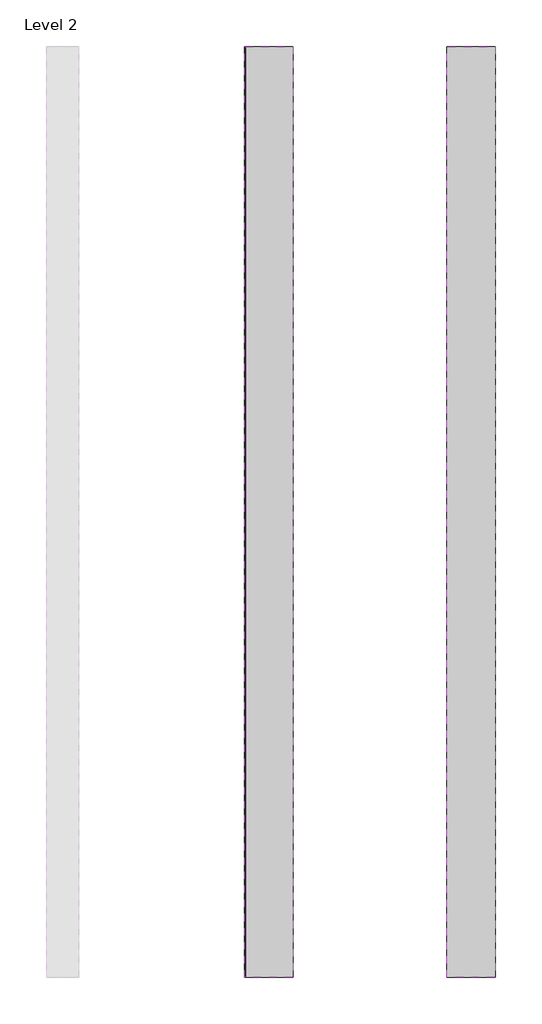
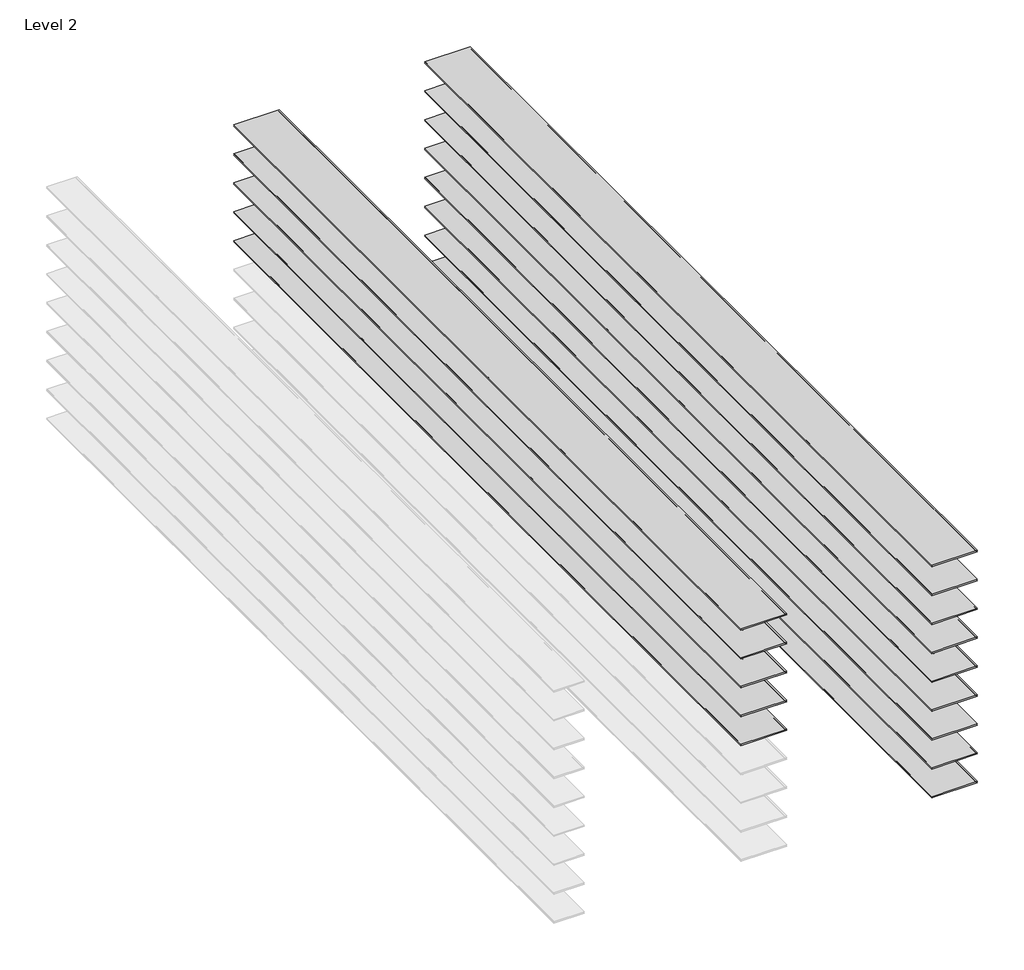
# One storey, part 2 of 2: 14 proxies.
"""IFC4 building model written with IfcOpenShell, lengths in millimetres."""

from ifc_helpers import new_model, si_unit, point, frame, frame_2d, origin, place, context, project, spatial, polyline, circle_curve, trimmed, segment, composite_curve, outline, extrude, element, save
from ifc_brep_helpers import plane_surface, revolved_surface, advanced_brep

model = new_model("IFC4")

# Units and contexts
model_context = context("Model", 3, world=origin())
ifc_project = project(units=[si_unit("LENGTHUNIT", "METRE", prefix="MILLI")], contexts=[model_context])

# Site, building, storey
site = spatial("IfcSite", under=ifc_project)
building = spatial("IfcBuilding", under=site)
storey = spatial("IfcBuildingStorey", under=building, Name="Level 2", Elevation=3048.0)

# Proxies
placement = place(None, origin())
element("IfcBuildingElementProxy", 1, Name="Reveals", at=placement, inside=storey, context=model_context, shape_type="AdvancedBrep", body=[
    advanced_brep(
    [(-16224.8026773, 3227.6377356, 4054.475), (-16224.8026773, 3227.6377356, 4064.0), (-16529.6026773, 3227.6377356, 4064.0), (-16529.6026773, 3227.6377356, 4054.475), (-16224.8026773, 9069.6377356, 4054.475), (-16529.6026773, 9069.6377356, 4054.475), (-16529.6026773, 9069.6377356, 4064.0), (-16224.8026773, 9069.6377356, 4064.0)],
    [
        (0, 1, circle_curve(frame((-16224.8026773, 3227.6377356, 4059.2375), z_axis=(0.0, 1.0, 0.0), x_axis=(1.0, 0.0, 0.0)), 4.7625)),
        (1, 2),
        (2, 3, circle_curve(frame((-16529.6026773, 3227.6377356, 4059.2375), z_axis=(0.0, 1.0, 0.0), x_axis=(1.0, 0.0, 0.0)), 4.7625)),
        (3, 0),
        (4, 5),
        (5, 6, circle_curve(frame((-16529.6026773, 9069.6377356, 4059.2375), z_axis=(0.0, -1.0, 0.0), x_axis=(1.0, 0.0, 0.0)), 4.7625)),
        (6, 7),
        (7, 4, circle_curve(frame((-16224.8026773, 9069.6377356, 4059.2375), z_axis=(0.0, -1.0, 0.0), x_axis=(1.0, 0.0, 0.0)), 4.7625)),
        (0, 4),
        (7, 1),
        (6, 2),
        (5, 3),
    ],
    [
        plane_surface(frame((-16834.5514691, 3227.6377356, 4064.0), z_axis=(0.0, -1.0, 0.0), x_axis=(0.0, 0.0, 1.0))),
        plane_surface(frame((-16834.5514691, 9069.6377356, 4064.0), z_axis=(0.0, 1.0, 0.0), x_axis=(0.0, 0.0, 1.0))),
        revolved_surface(polyline([(-16220.0401773, 9069.6377356, 4059.2375), (-16220.0401773, 3227.6377356, 4059.2375)]), (-16224.8026773, 3227.6377356, 4059.2375), (0.0, 1.0, 0.0)),
        plane_surface(frame((-16224.8026773, 3227.6377356, 4064.0), z_axis=(0.0, 0.0, 1.0), x_axis=(0.0, 1.0, 0.0))),
        revolved_surface(polyline([(-16524.8401773, 9069.6377356, 4059.2375), (-16524.8401773, 3227.6377356, 4059.2375)]), (-16529.6026773, 3227.6377356, 4059.2375), (0.0, 1.0, 0.0)),
        plane_surface(frame((-16529.6026773, 3227.6377356, 4054.475), z_axis=(0.0, 0.0, -1.0), x_axis=(0.0, 1.0, 0.0))),
    ],
    [
        (0, [[1, 2, 3, 4]]),
        (1, [[5, 6, 7, 8]]),
        (2, [[-1, 9, -8, 10]]),
        (3, [[-2, -10, -7, 11]]),
        (4, [[-3, -11, -6, 12]]),
        (5, [[-4, -12, -5, -9]]),
    ],
),
])
element("IfcBuildingElementProxy", 2, Name="Reveals", at=placement, inside=storey, context=model_context, shape_type="AdvancedBrep", body=[
    advanced_brep(
    [(-16224.8026773, 3227.6377356, 4257.675), (-16224.8026773, 3227.6377356, 4267.2), (-16529.6026773, 3227.6377356, 4267.2), (-16529.6026773, 3227.6377356, 4257.675), (-16224.8026773, 9069.6377356, 4257.675), (-16529.6026773, 9069.6377356, 4257.675), (-16529.6026773, 9069.6377356, 4267.2), (-16224.8026773, 9069.6377356, 4267.2)],
    [
        (0, 1, circle_curve(frame((-16224.8026773, 3227.6377356, 4262.4375), z_axis=(0.0, 1.0, 0.0), x_axis=(1.0, 0.0, 0.0)), 4.7625)),
        (1, 2),
        (2, 3, circle_curve(frame((-16529.6026773, 3227.6377356, 4262.4375), z_axis=(0.0, 1.0, 0.0), x_axis=(1.0, 0.0, 0.0)), 4.7625)),
        (3, 0),
        (4, 5),
        (5, 6, circle_curve(frame((-16529.6026773, 9069.6377356, 4262.4375), z_axis=(0.0, -1.0, 0.0), x_axis=(1.0, 0.0, 0.0)), 4.7625)),
        (6, 7),
        (7, 4, circle_curve(frame((-16224.8026773, 9069.6377356, 4262.4375), z_axis=(0.0, -1.0, 0.0), x_axis=(1.0, 0.0, 0.0)), 4.7625)),
        (0, 4),
        (7, 1),
        (6, 2),
        (5, 3),
    ],
    [
        plane_surface(frame((-16834.5514691, 3227.6377356, 4267.2), z_axis=(0.0, -1.0, 0.0), x_axis=(0.0, 0.0, 1.0))),
        plane_surface(frame((-16834.5514691, 9069.6377356, 4267.2), z_axis=(0.0, 1.0, 0.0), x_axis=(0.0, 0.0, 1.0))),
        revolved_surface(polyline([(-16220.0401773, 9069.6377356, 4262.4375), (-16220.0401773, 3227.6377356, 4262.4375)]), (-16224.8026773, 3227.6377356, 4262.4375), (0.0, 1.0, 0.0)),
        plane_surface(frame((-16224.8026773, 3227.6377356, 4267.2), z_axis=(0.0, 0.0, 1.0), x_axis=(0.0, 1.0, 0.0))),
        revolved_surface(polyline([(-16524.8401773, 9069.6377356, 4262.4375), (-16524.8401773, 3227.6377356, 4262.4375)]), (-16529.6026773, 3227.6377356, 4262.4375), (0.0, 1.0, 0.0)),
        plane_surface(frame((-16529.6026773, 3227.6377356, 4257.675), z_axis=(0.0, 0.0, -1.0), x_axis=(0.0, 1.0, 0.0))),
    ],
    [
        (0, [[1, 2, 3, 4]]),
        (1, [[5, 6, 7, 8]]),
        (2, [[-1, 9, -8, 10]]),
        (3, [[-2, -10, -7, 11]]),
        (4, [[-3, -11, -6, 12]]),
        (5, [[-4, -12, -5, -9]]),
    ],
),
])
element("IfcBuildingElementProxy", 3, Name="Reveals", at=placement, inside=storey, context=model_context, shape_type="SweptSolid", body=[
    extrude(outline(composite_curve([segment(trimmed(circle_curve(frame_2d((4465.6375, -16224.8026773)), 4.7625), [point((4460.875, -16224.8026773))], [point((4470.4, -16224.8026773))], True, "CARTESIAN"), True, "CONTINUOUS"), segment(polyline([(4470.4, -16224.8026773), (4470.4, -16529.6026773)]), True, "CONTINUOUS"), segment(trimmed(circle_curve(frame_2d((4465.6375, -16529.6026773)), 4.7625), [point((4470.4, -16529.6026773))], [point((4460.875, -16529.6026773))], True, "CARTESIAN"), True, "CONTINUOUS"), segment(polyline([(4460.875, -16529.6026773), (4460.875, -16224.8026773)]), True, "CONTINUOUS")], self_intersect=False)), frame((0.0, 3227.6377356, 0.0), z_axis=(0.0, 1.0, 0.0), x_axis=(0.0, 0.0, 1.0)), (0.0, 0.0, 1.0), 5842.0),
])
element("IfcBuildingElementProxy", 4, Name="Reveals", at=placement, inside=storey, context=model_context, shape_type="AdvancedBrep", body=[
    advanced_brep(
    [(-16224.8026773, 3227.6377356, 4664.075), (-16224.8026773, 3227.6377356, 4673.6), (-16529.6026773, 3227.6377356, 4673.6), (-16529.6026773, 3227.6377356, 4664.075), (-16224.8026773, 9069.6377356, 4664.075), (-16529.6026773, 9069.6377356, 4664.075), (-16529.6026773, 9069.6377356, 4673.6), (-16224.8026773, 9069.6377356, 4673.6)],
    [
        (0, 1, circle_curve(frame((-16224.8026773, 3227.6377356, 4668.8375), z_axis=(0.0, 1.0, 0.0), x_axis=(1.0, 0.0, 0.0)), 4.7625)),
        (1, 2),
        (2, 3, circle_curve(frame((-16529.6026773, 3227.6377356, 4668.8375), z_axis=(0.0, 1.0, 0.0), x_axis=(1.0, 0.0, 0.0)), 4.7625)),
        (3, 0),
        (4, 5),
        (5, 6, circle_curve(frame((-16529.6026773, 9069.6377356, 4668.8375), z_axis=(0.0, -1.0, 0.0), x_axis=(1.0, 0.0, 0.0)), 4.7625)),
        (6, 7),
        (7, 4, circle_curve(frame((-16224.8026773, 9069.6377356, 4668.8375), z_axis=(0.0, -1.0, 0.0), x_axis=(1.0, 0.0, 0.0)), 4.7625)),
        (0, 4),
        (7, 1),
        (6, 2),
        (5, 3),
    ],
    [
        plane_surface(frame((-16834.5514691, 3227.6377356, 4673.6), z_axis=(0.0, -1.0, 0.0), x_axis=(0.0, 0.0, 1.0))),
        plane_surface(frame((-16834.5514691, 9069.6377356, 4673.6), z_axis=(0.0, 1.0, 0.0), x_axis=(0.0, 0.0, 1.0))),
        revolved_surface(polyline([(-16220.0401773, 9069.6377356, 4668.8375), (-16220.0401773, 3227.6377356, 4668.8375)]), (-16224.8026773, 3227.6377356, 4668.8375), (0.0, 1.0, 0.0)),
        plane_surface(frame((-16224.8026773, 3227.6377356, 4673.6), z_axis=(0.0, 0.0, 1.0), x_axis=(0.0, 1.0, 0.0))),
        revolved_surface(polyline([(-16524.8401773, 9069.6377356, 4668.8375), (-16524.8401773, 3227.6377356, 4668.8375)]), (-16529.6026773, 3227.6377356, 4668.8375), (0.0, 1.0, 0.0)),
        plane_surface(frame((-16529.6026773, 3227.6377356, 4664.075), z_axis=(0.0, 0.0, -1.0), x_axis=(0.0, 1.0, 0.0))),
    ],
    [
        (0, [[1, 2, 3, 4]]),
        (1, [[5, 6, 7, 8]]),
        (2, [[-1, 9, -8, 10]]),
        (3, [[-2, -10, -7, 11]]),
        (4, [[-3, -11, -6, 12]]),
        (5, [[-4, -12, -5, -9]]),
    ],
),
])
element("IfcBuildingElementProxy", 5, Name="Reveals", at=placement, inside=storey, context=model_context, shape_type="AdvancedBrep", body=[
    advanced_brep(
    [(-16224.8026773, 3227.6377356, 4867.275), (-16224.8026773, 3227.6377356, 4876.8), (-16529.6026773, 3227.6377356, 4876.8), (-16529.6026773, 3227.6377356, 4867.275), (-16224.8026773, 9069.6377356, 4867.275), (-16529.6026773, 9069.6377356, 4867.275), (-16529.6026773, 9069.6377356, 4876.8), (-16224.8026773, 9069.6377356, 4876.8)],
    [
        (0, 1, circle_curve(frame((-16224.8026773, 3227.6377356, 4872.0375), z_axis=(0.0, 1.0, 0.0), x_axis=(1.0, 0.0, 0.0)), 4.7625)),
        (1, 2),
        (2, 3, circle_curve(frame((-16529.6026773, 3227.6377356, 4872.0375), z_axis=(0.0, 1.0, 0.0), x_axis=(1.0, 0.0, 0.0)), 4.7625)),
        (3, 0),
        (4, 5),
        (5, 6, circle_curve(frame((-16529.6026773, 9069.6377356, 4872.0375), z_axis=(0.0, -1.0, 0.0), x_axis=(1.0, 0.0, 0.0)), 4.7625)),
        (6, 7),
        (7, 4, circle_curve(frame((-16224.8026773, 9069.6377356, 4872.0375), z_axis=(0.0, -1.0, 0.0), x_axis=(1.0, 0.0, 0.0)), 4.7625)),
        (0, 4),
        (7, 1),
        (6, 2),
        (5, 3),
    ],
    [
        plane_surface(frame((-16834.5514691, 3227.6377356, 4876.8), z_axis=(0.0, -1.0, 0.0), x_axis=(0.0, 0.0, 1.0))),
        plane_surface(frame((-16834.5514691, 9069.6377356, 4876.8), z_axis=(0.0, 1.0, 0.0), x_axis=(0.0, 0.0, 1.0))),
        revolved_surface(polyline([(-16220.0401773, 9069.6377356, 4872.0375), (-16220.0401773, 3227.6377356, 4872.0375)]), (-16224.8026773, 3227.6377356, 4872.0375), (0.0, 1.0, 0.0)),
        plane_surface(frame((-16224.8026773, 3227.6377356, 4876.8), z_axis=(0.0, 0.0, 1.0), x_axis=(0.0, 1.0, 0.0))),
        revolved_surface(polyline([(-16524.8401773, 9069.6377356, 4872.0375), (-16524.8401773, 3227.6377356, 4872.0375)]), (-16529.6026773, 3227.6377356, 4872.0375), (0.0, 1.0, 0.0)),
        plane_surface(frame((-16529.6026773, 3227.6377356, 4867.275), z_axis=(0.0, 0.0, -1.0), x_axis=(0.0, 1.0, 0.0))),
    ],
    [
        (0, [[1, 2, 3, 4]]),
        (1, [[5, 6, 7, 8]]),
        (2, [[-1, 9, -8, 10]]),
        (3, [[-2, -10, -7, 11]]),
        (4, [[-3, -11, -6, 12]]),
        (5, [[-4, -12, -5, -9]]),
    ],
),
])
element("IfcBuildingElementProxy", 6, Name="Reveals", at=placement, inside=storey, context=model_context, shape_type="AdvancedBrep", body=[
    advanced_brep(
    [(-14954.8026773, 3227.6377356, 3241.675), (-14954.8026773, 3227.6377356, 3251.2), (-15259.6026773, 3227.6377356, 3251.2), (-15259.6026773, 3227.6377356, 3241.675), (-14954.8026773, 9069.6377356, 3241.675), (-15259.6026773, 9069.6377356, 3241.675), (-15259.6026773, 9069.6377356, 3251.2), (-14954.8026773, 9069.6377356, 3251.2)],
    [
        (0, 1, circle_curve(frame((-14954.8026773, 3227.6377356, 3246.4375), z_axis=(0.0, 1.0, 0.0), x_axis=(1.0, 0.0, 0.0)), 4.7625)),
        (1, 2),
        (2, 3, circle_curve(frame((-15259.6026773, 3227.6377356, 3246.4375), z_axis=(0.0, 1.0, 0.0), x_axis=(1.0, 0.0, 0.0)), 4.7625)),
        (3, 0),
        (4, 5),
        (5, 6, circle_curve(frame((-15259.6026773, 9069.6377356, 3246.4375), z_axis=(0.0, -1.0, 0.0), x_axis=(1.0, 0.0, 0.0)), 4.7625)),
        (6, 7),
        (7, 4, circle_curve(frame((-14954.8026773, 9069.6377356, 3246.4375), z_axis=(0.0, -1.0, 0.0), x_axis=(1.0, 0.0, 0.0)), 4.7625)),
        (0, 4),
        (7, 1),
        (6, 2),
        (5, 3),
    ],
    [
        plane_surface(frame((-15564.5514691, 3227.6377356, 3251.2), z_axis=(0.0, -1.0, 0.0), x_axis=(0.0, 0.0, 1.0))),
        plane_surface(frame((-15564.5514691, 9069.6377356, 3251.2), z_axis=(0.0, 1.0, 0.0), x_axis=(0.0, 0.0, 1.0))),
        revolved_surface(polyline([(-14950.0401773, 9069.6377356, 3246.4375), (-14950.0401773, 3227.6377356, 3246.4375)]), (-14954.8026773, 3227.6377356, 3246.4375), (0.0, 1.0, 0.0)),
        plane_surface(frame((-14954.8026773, 3227.6377356, 3251.2), z_axis=(0.0, 0.0, 1.0), x_axis=(0.0, 1.0, 0.0))),
        revolved_surface(polyline([(-15254.840177299999, 9069.6377356, 3246.4375), (-15254.840177299999, 3227.6377356, 3246.4375)]), (-15259.6026773, 3227.6377356, 3246.4375), (0.0, 1.0, 0.0)),
        plane_surface(frame((-15259.6026773, 3227.6377356, 3241.675), z_axis=(0.0, 0.0, -1.0), x_axis=(0.0, 1.0, 0.0))),
    ],
    [
        (0, [[1, 2, 3, 4]]),
        (1, [[5, 6, 7, 8]]),
        (2, [[-1, 9, -8, 10]]),
        (3, [[-2, -10, -7, 11]]),
        (4, [[-3, -11, -6, 12]]),
        (5, [[-4, -12, -5, -9]]),
    ],
),
])
element("IfcBuildingElementProxy", 7, Name="Reveals", at=placement, inside=storey, context=model_context, shape_type="AdvancedBrep", body=[
    advanced_brep(
    [(-14954.8026773, 3227.6377356, 3444.875), (-14954.8026773, 3227.6377356, 3454.4), (-15259.6026773, 3227.6377356, 3454.4), (-15259.6026773, 3227.6377356, 3444.875), (-14954.8026773, 9069.6377356, 3444.875), (-15259.6026773, 9069.6377356, 3444.875), (-15259.6026773, 9069.6377356, 3454.4), (-14954.8026773, 9069.6377356, 3454.4)],
    [
        (0, 1, circle_curve(frame((-14954.8026773, 3227.6377356, 3449.6375), z_axis=(0.0, 1.0, 0.0), x_axis=(1.0, 0.0, 0.0)), 4.7625)),
        (1, 2),
        (2, 3, circle_curve(frame((-15259.6026773, 3227.6377356, 3449.6375), z_axis=(0.0, 1.0, 0.0), x_axis=(1.0, 0.0, 0.0)), 4.7625)),
        (3, 0),
        (4, 5),
        (5, 6, circle_curve(frame((-15259.6026773, 9069.6377356, 3449.6375), z_axis=(0.0, -1.0, 0.0), x_axis=(1.0, 0.0, 0.0)), 4.7625)),
        (6, 7),
        (7, 4, circle_curve(frame((-14954.8026773, 9069.6377356, 3449.6375), z_axis=(0.0, -1.0, 0.0), x_axis=(1.0, 0.0, 0.0)), 4.7625)),
        (0, 4),
        (7, 1),
        (6, 2),
        (5, 3),
    ],
    [
        plane_surface(frame((-15564.5514691, 3227.6377356, 3454.4), z_axis=(0.0, -1.0, 0.0), x_axis=(0.0, 0.0, 1.0))),
        plane_surface(frame((-15564.5514691, 9069.6377356, 3454.4), z_axis=(0.0, 1.0, 0.0), x_axis=(0.0, 0.0, 1.0))),
        revolved_surface(polyline([(-14950.0401773, 9069.6377356, 3449.6375), (-14950.0401773, 3227.6377356, 3449.6375)]), (-14954.8026773, 3227.6377356, 3449.6375), (0.0, 1.0, 0.0)),
        plane_surface(frame((-14954.8026773, 3227.6377356, 3454.4), z_axis=(0.0, 0.0, 1.0), x_axis=(0.0, 1.0, 0.0))),
        revolved_surface(polyline([(-15254.840177299999, 9069.6377356, 3449.6375), (-15254.840177299999, 3227.6377356, 3449.6375)]), (-15259.6026773, 3227.6377356, 3449.6375), (0.0, 1.0, 0.0)),
        plane_surface(frame((-15259.6026773, 3227.6377356, 3444.875), z_axis=(0.0, 0.0, -1.0), x_axis=(0.0, 1.0, 0.0))),
    ],
    [
        (0, [[1, 2, 3, 4]]),
        (1, [[5, 6, 7, 8]]),
        (2, [[-1, 9, -8, 10]]),
        (3, [[-2, -10, -7, 11]]),
        (4, [[-3, -11, -6, 12]]),
        (5, [[-4, -12, -5, -9]]),
    ],
),
])
element("IfcBuildingElementProxy", 8, Name="Reveals", at=placement, inside=storey, context=model_context, shape_type="AdvancedBrep", body=[
    advanced_brep(
    [(-14954.8026773, 3227.6377356, 3648.075), (-14954.8026773, 3227.6377356, 3657.6), (-15259.6026773, 3227.6377356, 3657.6), (-15259.6026773, 3227.6377356, 3648.075), (-14954.8026773, 9069.6377356, 3648.075), (-15259.6026773, 9069.6377356, 3648.075), (-15259.6026773, 9069.6377356, 3657.6), (-14954.8026773, 9069.6377356, 3657.6)],
    [
        (0, 1, circle_curve(frame((-14954.8026773, 3227.6377356, 3652.8375), z_axis=(0.0, 1.0, 0.0), x_axis=(1.0, 0.0, 0.0)), 4.7625)),
        (1, 2),
        (2, 3, circle_curve(frame((-15259.6026773, 3227.6377356, 3652.8375), z_axis=(0.0, 1.0, 0.0), x_axis=(1.0, 0.0, 0.0)), 4.7625)),
        (3, 0),
        (4, 5),
        (5, 6, circle_curve(frame((-15259.6026773, 9069.6377356, 3652.8375), z_axis=(0.0, -1.0, 0.0), x_axis=(1.0, 0.0, 0.0)), 4.7625)),
        (6, 7),
        (7, 4, circle_curve(frame((-14954.8026773, 9069.6377356, 3652.8375), z_axis=(0.0, -1.0, 0.0), x_axis=(1.0, 0.0, 0.0)), 4.7625)),
        (0, 4),
        (7, 1),
        (6, 2),
        (5, 3),
    ],
    [
        plane_surface(frame((-15564.5514691, 3227.6377356, 3657.6), z_axis=(0.0, -1.0, 0.0), x_axis=(0.0, 0.0, 1.0))),
        plane_surface(frame((-15564.5514691, 9069.6377356, 3657.6), z_axis=(0.0, 1.0, 0.0), x_axis=(0.0, 0.0, 1.0))),
        revolved_surface(polyline([(-14950.0401773, 9069.6377356, 3652.8375), (-14950.0401773, 3227.6377356, 3652.8375)]), (-14954.8026773, 3227.6377356, 3652.8375), (0.0, 1.0, 0.0)),
        plane_surface(frame((-14954.8026773, 3227.6377356, 3657.6), z_axis=(0.0, 0.0, 1.0), x_axis=(0.0, 1.0, 0.0))),
        revolved_surface(polyline([(-15254.840177299999, 9069.6377356, 3652.8375), (-15254.840177299999, 3227.6377356, 3652.8375)]), (-15259.6026773, 3227.6377356, 3652.8375), (0.0, 1.0, 0.0)),
        plane_surface(frame((-15259.6026773, 3227.6377356, 3648.075), z_axis=(0.0, 0.0, -1.0), x_axis=(0.0, 1.0, 0.0))),
    ],
    [
        (0, [[1, 2, 3, 4]]),
        (1, [[5, 6, 7, 8]]),
        (2, [[-1, 9, -8, 10]]),
        (3, [[-2, -10, -7, 11]]),
        (4, [[-3, -11, -6, 12]]),
        (5, [[-4, -12, -5, -9]]),
    ],
),
])
element("IfcBuildingElementProxy", 9, Name="Reveals", at=placement, inside=storey, context=model_context, shape_type="AdvancedBrep", body=[
    advanced_brep(
    [(-14954.8026773, 3227.6377356, 3851.275), (-14954.8026773, 3227.6377356, 3860.8), (-15259.6026773, 3227.6377356, 3860.8), (-15259.6026773, 3227.6377356, 3851.275), (-14954.8026773, 9069.6377356, 3851.275), (-15259.6026773, 9069.6377356, 3851.275), (-15259.6026773, 9069.6377356, 3860.8), (-14954.8026773, 9069.6377356, 3860.8)],
    [
        (0, 1, circle_curve(frame((-14954.8026773, 3227.6377356, 3856.0375), z_axis=(0.0, 1.0, 0.0), x_axis=(1.0, 0.0, 0.0)), 4.7625)),
        (1, 2),
        (2, 3, circle_curve(frame((-15259.6026773, 3227.6377356, 3856.0375), z_axis=(0.0, 1.0, 0.0), x_axis=(1.0, 0.0, 0.0)), 4.7625)),
        (3, 0),
        (4, 5),
        (5, 6, circle_curve(frame((-15259.6026773, 9069.6377356, 3856.0375), z_axis=(0.0, -1.0, 0.0), x_axis=(1.0, 0.0, 0.0)), 4.7625)),
        (6, 7),
        (7, 4, circle_curve(frame((-14954.8026773, 9069.6377356, 3856.0375), z_axis=(0.0, -1.0, 0.0), x_axis=(1.0, 0.0, 0.0)), 4.7625)),
        (0, 4),
        (7, 1),
        (6, 2),
        (5, 3),
    ],
    [
        plane_surface(frame((-15564.5514691, 3227.6377356, 3860.8), z_axis=(0.0, -1.0, 0.0), x_axis=(0.0, 0.0, 1.0))),
        plane_surface(frame((-15564.5514691, 9069.6377356, 3860.8), z_axis=(0.0, 1.0, 0.0), x_axis=(0.0, 0.0, 1.0))),
        revolved_surface(polyline([(-14950.0401773, 9069.6377356, 3856.0375), (-14950.0401773, 3227.6377356, 3856.0375)]), (-14954.8026773, 3227.6377356, 3856.0375), (0.0, 1.0, 0.0)),
        plane_surface(frame((-14954.8026773, 3227.6377356, 3860.8), z_axis=(0.0, 0.0, 1.0), x_axis=(0.0, 1.0, 0.0))),
        revolved_surface(polyline([(-15254.840177299999, 9069.6377356, 3856.0375), (-15254.840177299999, 3227.6377356, 3856.0375)]), (-15259.6026773, 3227.6377356, 3856.0375), (0.0, 1.0, 0.0)),
        plane_surface(frame((-15259.6026773, 3227.6377356, 3851.275), z_axis=(0.0, 0.0, -1.0), x_axis=(0.0, 1.0, 0.0))),
    ],
    [
        (0, [[1, 2, 3, 4]]),
        (1, [[5, 6, 7, 8]]),
        (2, [[-1, 9, -8, 10]]),
        (3, [[-2, -10, -7, 11]]),
        (4, [[-3, -11, -6, 12]]),
        (5, [[-4, -12, -5, -9]]),
    ],
),
])
element("IfcBuildingElementProxy", 10, Name="Reveals", at=placement, inside=storey, context=model_context, shape_type="AdvancedBrep", body=[
    advanced_brep(
    [(-14954.8026773, 3227.6377356, 4054.475), (-14954.8026773, 3227.6377356, 4064.0), (-15259.6026773, 3227.6377356, 4064.0), (-15259.6026773, 3227.6377356, 4054.475), (-14954.8026773, 9069.6377356, 4054.475), (-15259.6026773, 9069.6377356, 4054.475), (-15259.6026773, 9069.6377356, 4064.0), (-14954.8026773, 9069.6377356, 4064.0)],
    [
        (0, 1, circle_curve(frame((-14954.8026773, 3227.6377356, 4059.2375), z_axis=(0.0, 1.0, 0.0), x_axis=(1.0, 0.0, 0.0)), 4.7625)),
        (1, 2),
        (2, 3, circle_curve(frame((-15259.6026773, 3227.6377356, 4059.2375), z_axis=(0.0, 1.0, 0.0), x_axis=(1.0, 0.0, 0.0)), 4.7625)),
        (3, 0),
        (4, 5),
        (5, 6, circle_curve(frame((-15259.6026773, 9069.6377356, 4059.2375), z_axis=(0.0, -1.0, 0.0), x_axis=(1.0, 0.0, 0.0)), 4.7625)),
        (6, 7),
        (7, 4, circle_curve(frame((-14954.8026773, 9069.6377356, 4059.2375), z_axis=(0.0, -1.0, 0.0), x_axis=(1.0, 0.0, 0.0)), 4.7625)),
        (0, 4),
        (7, 1),
        (6, 2),
        (5, 3),
    ],
    [
        plane_surface(frame((-15564.5514691, 3227.6377356, 4064.0), z_axis=(0.0, -1.0, 0.0), x_axis=(0.0, 0.0, 1.0))),
        plane_surface(frame((-15564.5514691, 9069.6377356, 4064.0), z_axis=(0.0, 1.0, 0.0), x_axis=(0.0, 0.0, 1.0))),
        revolved_surface(polyline([(-14950.0401773, 9069.6377356, 4059.2375), (-14950.0401773, 3227.6377356, 4059.2375)]), (-14954.8026773, 3227.6377356, 4059.2375), (0.0, 1.0, 0.0)),
        plane_surface(frame((-14954.8026773, 3227.6377356, 4064.0), z_axis=(0.0, 0.0, 1.0), x_axis=(0.0, 1.0, 0.0))),
        revolved_surface(polyline([(-15254.840177299999, 9069.6377356, 4059.2375), (-15254.840177299999, 3227.6377356, 4059.2375)]), (-15259.6026773, 3227.6377356, 4059.2375), (0.0, 1.0, 0.0)),
        plane_surface(frame((-15259.6026773, 3227.6377356, 4054.475), z_axis=(0.0, 0.0, -1.0), x_axis=(0.0, 1.0, 0.0))),
    ],
    [
        (0, [[1, 2, 3, 4]]),
        (1, [[5, 6, 7, 8]]),
        (2, [[-1, 9, -8, 10]]),
        (3, [[-2, -10, -7, 11]]),
        (4, [[-3, -11, -6, 12]]),
        (5, [[-4, -12, -5, -9]]),
    ],
),
])
element("IfcBuildingElementProxy", 11, Name="Reveals", at=placement, inside=storey, context=model_context, shape_type="AdvancedBrep", body=[
    advanced_brep(
    [(-14954.8026773, 3227.6377356, 4257.675), (-14954.8026773, 3227.6377356, 4267.2), (-15259.6026773, 3227.6377356, 4267.2), (-15259.6026773, 3227.6377356, 4257.675), (-14954.8026773, 9069.6377356, 4257.675), (-15259.6026773, 9069.6377356, 4257.675), (-15259.6026773, 9069.6377356, 4267.2), (-14954.8026773, 9069.6377356, 4267.2)],
    [
        (0, 1, circle_curve(frame((-14954.8026773, 3227.6377356, 4262.4375), z_axis=(0.0, 1.0, 0.0), x_axis=(1.0, 0.0, 0.0)), 4.7625)),
        (1, 2),
        (2, 3, circle_curve(frame((-15259.6026773, 3227.6377356, 4262.4375), z_axis=(0.0, 1.0, 0.0), x_axis=(1.0, 0.0, 0.0)), 4.7625)),
        (3, 0),
        (4, 5),
        (5, 6, circle_curve(frame((-15259.6026773, 9069.6377356, 4262.4375), z_axis=(0.0, -1.0, 0.0), x_axis=(1.0, 0.0, 0.0)), 4.7625)),
        (6, 7),
        (7, 4, circle_curve(frame((-14954.8026773, 9069.6377356, 4262.4375), z_axis=(0.0, -1.0, 0.0), x_axis=(1.0, 0.0, 0.0)), 4.7625)),
        (0, 4),
        (7, 1),
        (6, 2),
        (5, 3),
    ],
    [
        plane_surface(frame((-15564.5514691, 3227.6377356, 4267.2), z_axis=(0.0, -1.0, 0.0), x_axis=(0.0, 0.0, 1.0))),
        plane_surface(frame((-15564.5514691, 9069.6377356, 4267.2), z_axis=(0.0, 1.0, 0.0), x_axis=(0.0, 0.0, 1.0))),
        revolved_surface(polyline([(-14950.0401773, 9069.6377356, 4262.4375), (-14950.0401773, 3227.6377356, 4262.4375)]), (-14954.8026773, 3227.6377356, 4262.4375), (0.0, 1.0, 0.0)),
        plane_surface(frame((-14954.8026773, 3227.6377356, 4267.2), z_axis=(0.0, 0.0, 1.0), x_axis=(0.0, 1.0, 0.0))),
        revolved_surface(polyline([(-15254.840177299999, 9069.6377356, 4262.4375), (-15254.840177299999, 3227.6377356, 4262.4375)]), (-15259.6026773, 3227.6377356, 4262.4375), (0.0, 1.0, 0.0)),
        plane_surface(frame((-15259.6026773, 3227.6377356, 4257.675), z_axis=(0.0, 0.0, -1.0), x_axis=(0.0, 1.0, 0.0))),
    ],
    [
        (0, [[1, 2, 3, 4]]),
        (1, [[5, 6, 7, 8]]),
        (2, [[-1, 9, -8, 10]]),
        (3, [[-2, -10, -7, 11]]),
        (4, [[-3, -11, -6, 12]]),
        (5, [[-4, -12, -5, -9]]),
    ],
),
])
element("IfcBuildingElementProxy", 12, Name="Reveals", at=placement, inside=storey, context=model_context, shape_type="SweptSolid", body=[
    extrude(outline(composite_curve([segment(trimmed(circle_curve(frame_2d((4465.6375, -14954.8026773)), 4.7625), [point((4460.875, -14954.8026773))], [point((4470.4, -14954.8026773))], True, "CARTESIAN"), True, "CONTINUOUS"), segment(polyline([(4470.4, -14954.8026773), (4470.4, -15259.6026773)]), True, "CONTINUOUS"), segment(trimmed(circle_curve(frame_2d((4465.6375, -15259.6026773)), 4.7625), [point((4470.4, -15259.6026773))], [point((4460.875, -15259.6026773))], True, "CARTESIAN"), True, "CONTINUOUS"), segment(polyline([(4460.875, -15259.6026773), (4460.875, -14954.8026773)]), True, "CONTINUOUS")], self_intersect=False)), frame((0.0, 3227.6377356, 0.0), z_axis=(0.0, 1.0, 0.0), x_axis=(0.0, 0.0, 1.0)), (0.0, 0.0, 1.0), 5842.0),
])
element("IfcBuildingElementProxy", 13, Name="Reveals", at=placement, inside=storey, context=model_context, shape_type="AdvancedBrep", body=[
    advanced_brep(
    [(-14954.8026773, 3227.6377356, 4664.075), (-14954.8026773, 3227.6377356, 4673.6), (-15259.6026773, 3227.6377356, 4673.6), (-15259.6026773, 3227.6377356, 4664.075), (-14954.8026773, 9069.6377356, 4664.075), (-15259.6026773, 9069.6377356, 4664.075), (-15259.6026773, 9069.6377356, 4673.6), (-14954.8026773, 9069.6377356, 4673.6)],
    [
        (0, 1, circle_curve(frame((-14954.8026773, 3227.6377356, 4668.8375), z_axis=(0.0, 1.0, 0.0), x_axis=(1.0, 0.0, 0.0)), 4.7625)),
        (1, 2),
        (2, 3, circle_curve(frame((-15259.6026773, 3227.6377356, 4668.8375), z_axis=(0.0, 1.0, 0.0), x_axis=(1.0, 0.0, 0.0)), 4.7625)),
        (3, 0),
        (4, 5),
        (5, 6, circle_curve(frame((-15259.6026773, 9069.6377356, 4668.8375), z_axis=(0.0, -1.0, 0.0), x_axis=(1.0, 0.0, 0.0)), 4.7625)),
        (6, 7),
        (7, 4, circle_curve(frame((-14954.8026773, 9069.6377356, 4668.8375), z_axis=(0.0, -1.0, 0.0), x_axis=(1.0, 0.0, 0.0)), 4.7625)),
        (0, 4),
        (7, 1),
        (6, 2),
        (5, 3),
    ],
    [
        plane_surface(frame((-15564.5514691, 3227.6377356, 4673.6), z_axis=(0.0, -1.0, 0.0), x_axis=(0.0, 0.0, 1.0))),
        plane_surface(frame((-15564.5514691, 9069.6377356, 4673.6), z_axis=(0.0, 1.0, 0.0), x_axis=(0.0, 0.0, 1.0))),
        revolved_surface(polyline([(-14950.0401773, 9069.6377356, 4668.8375), (-14950.0401773, 3227.6377356, 4668.8375)]), (-14954.8026773, 3227.6377356, 4668.8375), (0.0, 1.0, 0.0)),
        plane_surface(frame((-14954.8026773, 3227.6377356, 4673.6), z_axis=(0.0, 0.0, 1.0), x_axis=(0.0, 1.0, 0.0))),
        revolved_surface(polyline([(-15254.840177299999, 9069.6377356, 4668.8375), (-15254.840177299999, 3227.6377356, 4668.8375)]), (-15259.6026773, 3227.6377356, 4668.8375), (0.0, 1.0, 0.0)),
        plane_surface(frame((-15259.6026773, 3227.6377356, 4664.075), z_axis=(0.0, 0.0, -1.0), x_axis=(0.0, 1.0, 0.0))),
    ],
    [
        (0, [[1, 2, 3, 4]]),
        (1, [[5, 6, 7, 8]]),
        (2, [[-1, 9, -8, 10]]),
        (3, [[-2, -10, -7, 11]]),
        (4, [[-3, -11, -6, 12]]),
        (5, [[-4, -12, -5, -9]]),
    ],
),
])
element("IfcBuildingElementProxy", 14, Name="Reveals", at=placement, inside=storey, context=model_context, shape_type="AdvancedBrep", body=[
    advanced_brep(
    [(-14954.8026773, 3227.6377356, 4867.275), (-14954.8026773, 3227.6377356, 4876.8), (-15259.6026773, 3227.6377356, 4876.8), (-15259.6026773, 3227.6377356, 4867.275), (-14954.8026773, 9069.6377356, 4867.275), (-15259.6026773, 9069.6377356, 4867.275), (-15259.6026773, 9069.6377356, 4876.8), (-14954.8026773, 9069.6377356, 4876.8)],
    [
        (0, 1, circle_curve(frame((-14954.8026773, 3227.6377356, 4872.0375), z_axis=(0.0, 1.0, 0.0), x_axis=(1.0, 0.0, 0.0)), 4.7625)),
        (1, 2),
        (2, 3, circle_curve(frame((-15259.6026773, 3227.6377356, 4872.0375), z_axis=(0.0, 1.0, 0.0), x_axis=(1.0, 0.0, 0.0)), 4.7625)),
        (3, 0),
        (4, 5),
        (5, 6, circle_curve(frame((-15259.6026773, 9069.6377356, 4872.0375), z_axis=(0.0, -1.0, 0.0), x_axis=(1.0, 0.0, 0.0)), 4.7625)),
        (6, 7),
        (7, 4, circle_curve(frame((-14954.8026773, 9069.6377356, 4872.0375), z_axis=(0.0, -1.0, 0.0), x_axis=(1.0, 0.0, 0.0)), 4.7625)),
        (0, 4),
        (7, 1),
        (6, 2),
        (5, 3),
    ],
    [
        plane_surface(frame((-15564.5514691, 3227.6377356, 4876.8), z_axis=(0.0, -1.0, 0.0), x_axis=(0.0, 0.0, 1.0))),
        plane_surface(frame((-15564.5514691, 9069.6377356, 4876.8), z_axis=(0.0, 1.0, 0.0), x_axis=(0.0, 0.0, 1.0))),
        revolved_surface(polyline([(-14950.0401773, 9069.6377356, 4872.0375), (-14950.0401773, 3227.6377356, 4872.0375)]), (-14954.8026773, 3227.6377356, 4872.0375), (0.0, 1.0, 0.0)),
        plane_surface(frame((-14954.8026773, 3227.6377356, 4876.8), z_axis=(0.0, 0.0, 1.0), x_axis=(0.0, 1.0, 0.0))),
        revolved_surface(polyline([(-15254.840177299999, 9069.6377356, 4872.0375), (-15254.840177299999, 3227.6377356, 4872.0375)]), (-15259.6026773, 3227.6377356, 4872.0375), (0.0, 1.0, 0.0)),
        plane_surface(frame((-15259.6026773, 3227.6377356, 4867.275), z_axis=(0.0, 0.0, -1.0), x_axis=(0.0, 1.0, 0.0))),
    ],
    [
        (0, [[1, 2, 3, 4]]),
        (1, [[5, 6, 7, 8]]),
        (2, [[-1, 9, -8, 10]]),
        (3, [[-2, -10, -7, 11]]),
        (4, [[-3, -11, -6, 12]]),
        (5, [[-4, -12, -5, -9]]),
    ],
),
])

save(model, "model.ifc")
